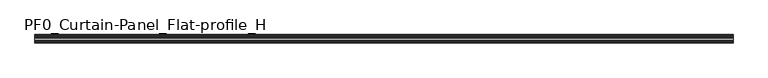
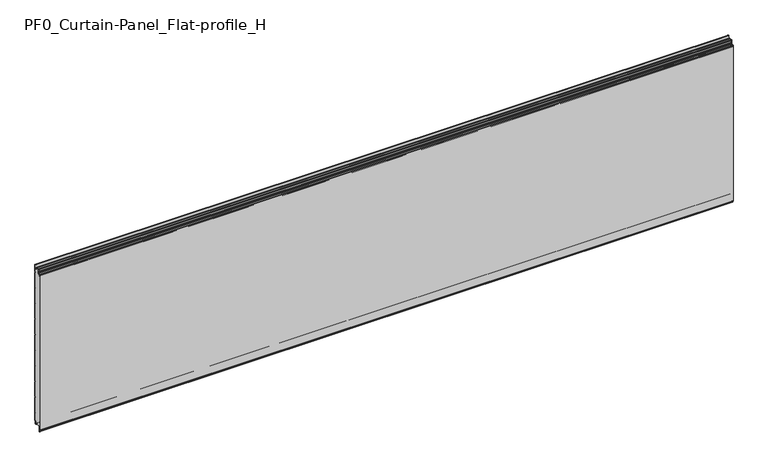
"""IFC4 building model written with IfcOpenShell, lengths in millimetres: plate geometry, PF0_Curtain-Panel_Flat-profile_H."""

from ifc_helpers import new_model, si_unit, point, frame, frame_2d, origin, place, context, project, spatial, polyline, circle_curve, trimmed, segment, composite_curve, outline, extrude, source, transform, mapped, element, save
from ifc_brep_helpers import plane_surface, cylinder_surface, revolved_surface, advanced_brep


def pf0_curtain_panel_flat_profile_h_6f37740b(model_context):
    return source(origin(), model_context, "Body", "SolidModel", [
        advanced_brep(
        [(-2100.0119739, -15.878557, 0.0), (-2100.0119739, -20.0, 0.0), (-2100.0119739, -20.0, 0.8), (-2100.0119739, -15.878557, 0.8), (-2100.0119739, -13.1503208, -1.370137), (-2100.0119739, -11.728236, -7.529863), (-2100.0119739, -6.2, -6.9), (-2100.0119739, -6.2, 8.6), (-2100.0119739, -3.4, 11.4), (-2100.0119739, -2.0, 11.4), (-2100.0119739, -0.8, 12.6), (-2100.0119739, -0.8, 57.6856412), (-2100.0119739, -2.482606, 60.6), (-2100.0119739, -0.8, 63.5143588), (-2100.0119739, -0.8, 157.6856412), (-2100.0119739, -2.482606, 160.6), (-2100.0119739, -0.8, 163.5143588), (-2100.0119739, -0.8, 257.6856412), (-2100.0119739, -2.482606, 260.6), (-2100.0119739, -0.8, 263.5143588), (-2100.0119739, -0.8, 357.6856412), (-2100.0119739, -2.482606, 360.6), (-2100.0119739, -0.8, 363.5143588), (-2100.0119739, -0.8, 457.6856412), (-2100.0119739, -2.482606, 460.6), (-2100.0119739, -0.8, 463.5143588), (-2100.0119739, -0.8, 557.6856412), (-2100.0119739, -2.482606, 560.6), (-2100.0119739, -0.8, 563.5143588), (-2100.0119739, -0.8, 657.6856412), (-2100.0119739, -2.482606, 660.6), (-2100.0119739, -0.8, 663.5143588), (-2100.0119739, -0.8, 757.6856412), (-2100.0119739, -2.482606, 760.6), (-2100.0119739, -0.8, 763.5143588), (-2100.0119739, -0.8, 857.6856412), (-2100.0119739, -2.482606, 860.6), (-2100.0119739, -0.8, 863.5143588), (-2100.0119739, -0.8, 957.6856412), (-2100.0119739, -2.482606, 960.6), (-2100.0119739, -0.8, 963.5143588), (-2100.0119739, -0.8, 1008.1), (-2100.0119739, -4.2, 1008.1), (-2100.0119739, -4.2, 991.1), (-2100.0119739, -13.7270771, 990.2664884), (-2100.0119739, -14.8636953, 996.7125669), (-2100.0119739, -16.6363492, 998.2), (-2100.0119739, -20.0, 998.2), (-2100.0119739, -20.0, 999.0), (-2100.0119739, -16.6363492, 999.0), (-2100.0119739, -14.0758491, 996.8514855), (-2100.0119739, -12.939231, 990.405407), (-2100.0119739, -5.0, 991.1), (-2100.0119739, -5.0, 1008.1), (-2100.0119739, -2.5, 1010.6), (-2100.0119739, 0.0, 1008.1), (-2100.0119739, 0.0, 963.2999995), (-2100.0119739, -1.5588455, 960.6), (-2100.0119739, 0.0, 957.9000005), (-2100.0119739, 0.0, 863.2999995), (-2100.0119739, -1.5588455, 860.6), (-2100.0119739, 0.0, 857.9000005), (-2100.0119739, 0.0, 763.2999995), (-2100.0119739, -1.5588455, 760.6), (-2100.0119739, 0.0, 757.9000005), (-2100.0119739, 0.0, 663.2999995), (-2100.0119739, -1.5588455, 660.6), (-2100.0119739, 0.0, 657.9000005), (-2100.0119739, 0.0, 563.2999995), (-2100.0119739, -1.5588455, 560.6), (-2100.0119739, 0.0, 557.9000005), (-2100.0119739, 0.0, 463.2999995), (-2100.0119739, -1.5588455, 460.6), (-2100.0119739, 0.0, 457.9000005), (-2100.0119739, 0.0, 363.2999995), (-2100.0119739, -1.5588455, 360.6), (-2100.0119739, 0.0, 357.9000005), (-2100.0119739, 0.0, 263.2999995), (-2100.0119739, -1.5588455, 260.6), (-2100.0119739, 0.0, 257.9000005), (-2100.0119739, 0.0, 163.2999995), (-2100.0119739, -1.5588455, 160.6), (-2100.0119739, 0.0, 157.9000005), (-2100.0119739, 0.0, 63.2999995), (-2100.0119739, -1.5588455, 60.6), (-2100.0119739, 0.0, 57.9000005), (-2100.0119739, 0.0, 12.6), (-2100.0119739, -2.0, 10.6), (-2100.0119739, -3.4, 10.6), (-2100.0119739, -5.4, 8.6), (-2100.0119739, -5.4, -6.9), (-2100.0119739, -12.5077322, -7.7098239), (-2100.0119739, -13.929817, -1.5500979), (2100.0119739, -15.878557, 0.0), (2100.0119739, -13.9298169, -1.5500978), (2100.0119739, -12.507732, -7.7098239), (2100.0119739, -5.4, -6.9), (2100.0119739, -5.4, 8.6), (2100.0119739, -3.4, 10.6), (2100.0119739, -2.0, 10.6), (2100.0119739, 0.0, 12.6), (2100.0119739, 0.0, 57.9000005), (2100.0119739, -1.5588455, 60.6), (2100.0119739, 0.0, 63.2999995), (2100.0119739, 0.0, 157.9000005), (2100.0119739, -1.5588455, 160.6), (2100.0119739, 0.0, 163.2999995), (2100.0119739, 0.0, 257.9000005), (2100.0119739, -1.5588455, 260.6), (2100.0119739, 0.0, 263.2999995), (2100.0119739, 0.0, 357.9000005), (2100.0119739, -1.5588455, 360.6), (2100.0119739, 0.0, 363.2999995), (2100.0119739, 0.0, 457.9000005), (2100.0119739, -1.5588455, 460.6), (2100.0119739, 0.0, 463.2999995), (2100.0119739, 0.0, 557.9000005), (2100.0119739, -1.5588455, 560.6), (2100.0119739, 0.0, 563.2999995), (2100.0119739, 0.0, 657.9000005), (2100.0119739, -1.5588455, 660.6), (2100.0119739, 0.0, 663.2999995), (2100.0119739, 0.0, 757.9000005), (2100.0119739, -1.5588455, 760.6), (2100.0119739, 0.0, 763.2999995), (2100.0119739, 0.0, 857.9000005), (2100.0119739, -1.5588455, 860.6), (2100.0119739, 0.0, 863.2999995), (2100.0119739, 0.0, 957.9000005), (2100.0119739, -1.5588455, 960.6), (2100.0119739, 0.0, 963.2999995), (2100.0119739, 0.0, 1008.1), (2100.0119739, -2.5, 1010.6), (2100.0119739, -5.0, 1008.1), (2100.0119739, -5.0, 991.1), (2100.0119739, -12.939231, 990.405407), (2100.0119739, -14.0758491, 996.8514855), (2100.0119739, -16.6363492, 999.0), (2100.0119739, -20.0, 999.0), (2100.0119739, -20.0, 998.2), (2100.0119739, -16.6363492, 998.2), (2100.0119739, -14.8636953, 996.7125669), (2100.0119739, -13.7270772, 990.2664884), (2100.0119739, -4.2, 991.1), (2100.0119739, -4.2, 1008.1), (2100.0119739, -0.8, 1008.1), (2100.0119739, -0.8, 963.5143588), (2100.0119739, -2.482606, 960.6), (2100.0119739, -0.8, 957.6856412), (2100.0119739, -0.8, 863.5143588), (2100.0119739, -2.482606, 860.6), (2100.0119739, -0.8, 857.6856412), (2100.0119739, -0.8, 763.5143588), (2100.0119739, -2.482606, 760.6), (2100.0119739, -0.8, 757.6856412), (2100.0119739, -0.8, 663.5143588), (2100.0119739, -2.482606, 660.6), (2100.0119739, -0.8, 657.6856412), (2100.0119739, -0.8, 563.5143588), (2100.0119739, -2.482606, 560.6), (2100.0119739, -0.8, 557.6856412), (2100.0119739, -0.8, 463.5143588), (2100.0119739, -2.482606, 460.6), (2100.0119739, -0.8, 457.6856412), (2100.0119739, -0.8, 363.5143588), (2100.0119739, -2.482606, 360.6), (2100.0119739, -0.8, 357.6856412), (2100.0119739, -0.8, 263.5143588), (2100.0119739, -2.482606, 260.6), (2100.0119739, -0.8, 257.6856412), (2100.0119739, -0.8, 163.5143588), (2100.0119739, -2.482606, 160.6), (2100.0119739, -0.8, 157.6856412), (2100.0119739, -0.8, 63.5143588), (2100.0119739, -2.482606, 60.6), (2100.0119739, -0.8, 57.6856412), (2100.0119739, -0.8, 12.6), (2100.0119739, -2.0, 11.4), (2100.0119739, -3.4, 11.4), (2100.0119739, -6.2, 8.6), (2100.0119739, -6.2, -6.9), (2100.0119739, -11.7282362, -7.529863), (2100.0119739, -13.150321, -1.370137), (2100.0119739, -15.878557, 0.8), (2100.0119739, -20.0, 0.8), (2100.0119739, -20.0, 0.0)],
        [
            (0, 1),
            (1, 2),
            (2, 3),
            (3, 4, circle_curve(frame((-2100.0119739, -15.878557, -2.0), z_axis=(-1.0, 0.0, 0.0), x_axis=(0.0, 0.0, 1.0)), 2.8)),
            (4, 5),
            (5, 6, circle_curve(frame((-2100.0119739, -9.0, -6.9), z_axis=(1.0, 0.0, 0.0), x_axis=(0.0, 0.0, 1.0)), 2.8)),
            (6, 7),
            (7, 8, circle_curve(frame((-2100.0119739, -3.4, 8.6), z_axis=(-1.0, 0.0, 0.0), x_axis=(0.0, 0.0, 1.0)), 2.8)),
            (8, 9),
            (9, 10, circle_curve(frame((-2100.0119739, -2.0, 12.6), z_axis=(1.0, 0.0, 0.0), x_axis=(0.0, 0.0, 1.0)), 1.2)),
            (10, 11),
            (11, 12),
            (12, 13),
            (13, 14),
            (14, 15),
            (15, 16),
            (16, 17),
            (17, 18),
            (18, 19),
            (19, 20),
            (20, 21),
            (21, 22),
            (22, 23),
            (23, 24),
            (24, 25),
            (25, 26),
            (26, 27),
            (27, 28),
            (28, 29),
            (29, 30),
            (30, 31),
            (31, 32),
            (32, 33),
            (33, 34),
            (34, 35),
            (35, 36),
            (36, 37),
            (37, 38),
            (38, 39),
            (39, 40),
            (40, 41),
            (41, 42, circle_curve(frame((-2100.0119739, -2.5, 1008.1), z_axis=(1.0, 0.0, 0.0), x_axis=(0.0, 0.0, 1.0)), 1.7)),
            (42, 43),
            (43, 44, circle_curve(frame((-2100.0119739, -9.0, 991.1), z_axis=(-1.0, 0.0, 0.0), x_axis=(0.0, 0.0, 1.0)), 4.8)),
            (44, 45),
            (45, 46, circle_curve(frame((-2100.0119739, -16.6363492, 996.4), z_axis=(1.0, 0.0, 0.0), x_axis=(0.0, 0.0, 1.0)), 1.8)),
            (46, 47),
            (47, 48),
            (48, 49),
            (49, 50, circle_curve(frame((-2100.0119739, -16.6363492, 996.4), z_axis=(-1.0, 0.0, 0.0), x_axis=(0.0, 0.0, 1.0)), 2.6)),
            (50, 51),
            (51, 52, circle_curve(frame((-2100.0119739, -9.0, 991.1), z_axis=(1.0, 0.0, 0.0), x_axis=(0.0, 0.0, 1.0)), 4.0)),
            (52, 53),
            (53, 54, circle_curve(frame((-2100.0119739, -2.5, 1008.1), z_axis=(-1.0, 0.0, 0.0), x_axis=(0.0, 0.0, 1.0)), 2.5)),
            (54, 55, circle_curve(frame((-2100.0119739, -2.5, 1008.1), z_axis=(-1.0, 0.0, 0.0), x_axis=(0.0, 0.0, 1.0)), 2.5)),
            (55, 56),
            (56, 57),
            (57, 58),
            (58, 59),
            (59, 60),
            (60, 61),
            (61, 62),
            (62, 63),
            (63, 64),
            (64, 65),
            (65, 66),
            (66, 67),
            (67, 68),
            (68, 69),
            (69, 70),
            (70, 71),
            (71, 72),
            (72, 73),
            (73, 74),
            (74, 75),
            (75, 76),
            (76, 77),
            (77, 78),
            (78, 79),
            (79, 80),
            (80, 81),
            (81, 82),
            (82, 83),
            (83, 84),
            (84, 85),
            (85, 86),
            (86, 87, circle_curve(frame((-2100.0119739, -2.0, 12.6), z_axis=(-1.0, 0.0, 0.0), x_axis=(0.0, 0.0, 1.0)), 2.0)),
            (87, 88),
            (88, 89, circle_curve(frame((-2100.0119739, -3.4, 8.6), z_axis=(1.0, 0.0, 0.0), x_axis=(0.0, 0.0, 1.0)), 2.0)),
            (89, 90),
            (90, 91, circle_curve(frame((-2100.0119739, -9.0, -6.9), z_axis=(-1.0, 0.0, 0.0), x_axis=(0.0, 0.0, 1.0)), 3.6)),
            (91, 92),
            (92, 0, circle_curve(frame((-2100.0119739, -15.878557, -2.0), z_axis=(1.0, 0.0, 0.0), x_axis=(0.0, 0.0, 1.0)), 2.0)),
            (93, 94, circle_curve(frame((2100.0119739, -15.878557, -2.0), z_axis=(-1.0, 0.0, 0.0), x_axis=(0.0, 0.0, 1.0)), 2.0)),
            (94, 95),
            (95, 96, circle_curve(frame((2100.0119739, -9.0, -6.9), z_axis=(1.0, 0.0, 0.0), x_axis=(0.0, 0.0, 1.0)), 3.6)),
            (96, 97),
            (97, 98, circle_curve(frame((2100.0119739, -3.4, 8.6), z_axis=(-1.0, 0.0, 0.0), x_axis=(0.0, 0.0, 1.0)), 2.0)),
            (98, 99),
            (99, 100, circle_curve(frame((2100.0119739, -2.0, 12.6), z_axis=(1.0, 0.0, 0.0), x_axis=(0.0, 0.0, 1.0)), 2.0)),
            (100, 101),
            (101, 102),
            (102, 103),
            (103, 104),
            (104, 105),
            (105, 106),
            (106, 107),
            (107, 108),
            (108, 109),
            (109, 110),
            (110, 111),
            (111, 112),
            (112, 113),
            (113, 114),
            (114, 115),
            (115, 116),
            (116, 117),
            (117, 118),
            (118, 119),
            (119, 120),
            (120, 121),
            (121, 122),
            (122, 123),
            (123, 124),
            (124, 125),
            (125, 126),
            (126, 127),
            (127, 128),
            (128, 129),
            (129, 130),
            (130, 131),
            (131, 132, circle_curve(frame((2100.0119739, -2.5, 1008.1), z_axis=(1.0, 0.0, 0.0), x_axis=(0.0, 0.0, 1.0)), 2.5)),
            (132, 133, circle_curve(frame((2100.0119739, -2.5, 1008.1), z_axis=(1.0, 0.0, 0.0), x_axis=(0.0, 0.0, 1.0)), 2.5)),
            (133, 134),
            (134, 135, circle_curve(frame((2100.0119739, -9.0, 991.1), z_axis=(-1.0, 0.0, 0.0), x_axis=(0.0, 0.0, 1.0)), 4.0)),
            (135, 136),
            (136, 137, circle_curve(frame((2100.0119739, -16.6363492, 996.4), z_axis=(1.0, 0.0, 0.0), x_axis=(0.0, 0.0, 1.0)), 2.6)),
            (137, 138),
            (138, 139),
            (139, 140),
            (140, 141, circle_curve(frame((2100.0119739, -16.6363492, 996.4), z_axis=(-1.0, 0.0, 0.0), x_axis=(0.0, 0.0, 1.0)), 1.8)),
            (141, 142),
            (142, 143, circle_curve(frame((2100.0119739, -9.0, 991.1), z_axis=(1.0, 0.0, 0.0), x_axis=(0.0, 0.0, 1.0)), 4.8)),
            (143, 144),
            (144, 145, circle_curve(frame((2100.0119739, -2.5, 1008.1), z_axis=(-1.0, 0.0, 0.0), x_axis=(0.0, 0.0, 1.0)), 1.7)),
            (145, 146),
            (146, 147),
            (147, 148),
            (148, 149),
            (149, 150),
            (150, 151),
            (151, 152),
            (152, 153),
            (153, 154),
            (154, 155),
            (155, 156),
            (156, 157),
            (157, 158),
            (158, 159),
            (159, 160),
            (160, 161),
            (161, 162),
            (162, 163),
            (163, 164),
            (164, 165),
            (165, 166),
            (166, 167),
            (167, 168),
            (168, 169),
            (169, 170),
            (170, 171),
            (171, 172),
            (172, 173),
            (173, 174),
            (174, 175),
            (175, 176),
            (176, 177, circle_curve(frame((2100.0119739, -2.0, 12.6), z_axis=(-1.0, 0.0, 0.0), x_axis=(0.0, 0.0, 1.0)), 1.2)),
            (177, 178),
            (178, 179, circle_curve(frame((2100.0119739, -3.4, 8.6), z_axis=(1.0, 0.0, 0.0), x_axis=(0.0, 0.0, 1.0)), 2.8)),
            (179, 180),
            (180, 181, circle_curve(frame((2100.0119739, -9.0, -6.9), z_axis=(-1.0, 0.0, 0.0), x_axis=(0.0, 0.0, 1.0)), 2.8)),
            (181, 182),
            (182, 183, circle_curve(frame((2100.0119739, -15.878557, -2.0), z_axis=(1.0, 0.0, 0.0), x_axis=(0.0, 0.0, 1.0)), 2.8)),
            (183, 184),
            (184, 185),
            (185, 93),
            (0, 93),
            (185, 1),
            (184, 2),
            (183, 3),
            (182, 4),
            (181, 5),
            (180, 6),
            (179, 7),
            (178, 8),
            (177, 9),
            (176, 10),
            (175, 11),
            (174, 12),
            (173, 13),
            (172, 14),
            (171, 15),
            (170, 16),
            (169, 17),
            (168, 18),
            (167, 19),
            (166, 20),
            (165, 21),
            (164, 22),
            (163, 23),
            (162, 24),
            (161, 25),
            (160, 26),
            (159, 27),
            (158, 28),
            (157, 29),
            (156, 30),
            (155, 31),
            (154, 32),
            (153, 33),
            (152, 34),
            (151, 35),
            (150, 36),
            (149, 37),
            (148, 38),
            (147, 39),
            (146, 40),
            (145, 41),
            (144, 42),
            (143, 43),
            (142, 44),
            (141, 45),
            (140, 46),
            (139, 47),
            (138, 48),
            (137, 49),
            (136, 50),
            (135, 51),
            (134, 52),
            (133, 53),
            (131, 55),
            (130, 56),
            (129, 57),
            (128, 58),
            (127, 59),
            (126, 60),
            (125, 61),
            (124, 62),
            (123, 63),
            (122, 64),
            (121, 65),
            (120, 66),
            (119, 67),
            (118, 68),
            (117, 69),
            (116, 70),
            (115, 71),
            (114, 72),
            (113, 73),
            (112, 74),
            (111, 75),
            (110, 76),
            (109, 77),
            (108, 78),
            (107, 79),
            (106, 80),
            (105, 81),
            (104, 82),
            (103, 83),
            (102, 84),
            (101, 85),
            (100, 86),
            (99, 87),
            (98, 88),
            (97, 89),
            (96, 90),
            (95, 91),
            (94, 92),
        ],
        [
            plane_surface(frame((-2100.0119739, 0.0, 0.0), z_axis=(-1.0, 0.0, 0.0), x_axis=(0.0, 1.0, 0.0))),
            plane_surface(frame((2100.0119739, 0.0, 0.0), z_axis=(1.0, 0.0, 0.0), x_axis=(0.0, 1.0, 0.0))),
            plane_surface(frame((-2100.0119739, -15.878557, 0.0), z_axis=(0.0, 0.0, -1.0), x_axis=(1.0, 0.0, 0.0))),
            plane_surface(frame((-2100.0119739, -20.0, 0.0), z_axis=(0.0, -1.0, 0.0), x_axis=(1.0, 0.0, 0.0))),
            plane_surface(frame((-2100.0119739, -20.0, 0.8), z_axis=(0.0, 0.0, 1.0), x_axis=(1.0, 0.0, 0.0))),
            cylinder_surface(frame((-2100.0119739, -15.878557, -2.0), z_axis=(-1.0, 0.0, 0.0), x_axis=(0.0, 0.0, 1.0)), 2.8),
            plane_surface(frame((-2100.0119739, -13.150321, -1.370137), z_axis=(0.0, 0.9743700578318181, 0.22495108446242168), x_axis=(1.0, 0.0, 0.0))),
            revolved_surface(polyline([(2100.0119739, -9.0, -4.1000000000000005), (-2100.0119739, -9.0, -4.1000000000000005)]), (-2100.0119739, -9.0, -6.9), (1.0, 0.0, 0.0)),
            plane_surface(frame((-2100.0119739, -6.2, -6.9), z_axis=(0.0, -1.0, 0.0), x_axis=(1.0, 0.0, 0.0))),
            cylinder_surface(frame((-2100.0119739, -3.4, 8.6), z_axis=(-1.0, 0.0, 0.0), x_axis=(0.0, 0.0, 1.0)), 2.8),
            plane_surface(frame((-2100.0119739, -3.4, 11.4), z_axis=(0.0, 0.0, 1.0), x_axis=(1.0, 0.0, 0.0))),
            revolved_surface(polyline([(2100.0119739, -2.0, 13.799999999999999), (-2100.0119739, -2.0, 13.799999999999999)]), (-2100.0119739, -2.0, 12.6), (1.0, 0.0, 0.0)),
            plane_surface(frame((-2100.0119739, -0.8, 12.6), z_axis=(0.0, -1.0, 0.0), x_axis=(1.0, 0.0, 0.0))),
            plane_surface(frame((-2100.0119739, -0.8, 57.6856412), z_axis=(0.0, -0.8660253865035757, -0.5000000299313314), x_axis=(1.0, 0.0, 0.0))),
            plane_surface(frame((-2100.0119739, -2.482606, 60.6), z_axis=(0.0, -0.8660253865035789, 0.5000000299313261), x_axis=(1.0, 0.0, 0.0))),
            plane_surface(frame((-2100.0119739, -0.8, 63.5143588), z_axis=(0.0, -1.0, 0.0), x_axis=(1.0, 0.0, 0.0))),
            plane_surface(frame((-2100.0119739, -0.8, 157.6856412), z_axis=(0.0, -0.8660253865035755, -0.5000000299313319), x_axis=(1.0, 0.0, 0.0))),
            plane_surface(frame((-2100.0119739, -2.482606, 160.6), z_axis=(0.0, -0.8660253865035777, 0.5000000299313279), x_axis=(1.0, 0.0, 0.0))),
            plane_surface(frame((-2100.0119739, -0.8, 163.5143588), z_axis=(0.0, -1.0, 0.0), x_axis=(1.0, 0.0, 0.0))),
            plane_surface(frame((-2100.0119739, -0.8, 257.6856412), z_axis=(0.0, -0.8660253865035755, -0.5000000299313319), x_axis=(1.0, 0.0, 0.0))),
            plane_surface(frame((-2100.0119739, -2.482606, 260.6), z_axis=(0.0, -0.8660253865035777, 0.5000000299313279), x_axis=(1.0, 0.0, 0.0))),
            plane_surface(frame((-2100.0119739, -0.8, 263.5143588), z_axis=(0.0, -1.0, 0.0), x_axis=(1.0, 0.0, 0.0))),
            plane_surface(frame((-2100.0119739, -0.8, 357.6856412), z_axis=(0.0, -0.8660253865035754, -0.500000029931332), x_axis=(1.0, 0.0, 0.0))),
            plane_surface(frame((-2100.0119739, -2.482606, 360.6), z_axis=(0.0, -0.8660253865035789, 0.5000000299313261), x_axis=(1.0, 0.0, 0.0))),
            plane_surface(frame((-2100.0119739, -0.8, 363.5143588), z_axis=(0.0, -1.0, 0.0), x_axis=(1.0, 0.0, 0.0))),
            plane_surface(frame((-2100.0119739, -0.8, 457.6856412), z_axis=(0.0, -0.8660253865035755, -0.5000000299313319), x_axis=(1.0, 0.0, 0.0))),
            plane_surface(frame((-2100.0119739, -2.482606, 460.6), z_axis=(0.0, -0.8660253865035785, 0.5000000299313266), x_axis=(1.0, 0.0, 0.0))),
            plane_surface(frame((-2100.0119739, -0.8, 463.5143588), z_axis=(0.0, -1.0, 0.0), x_axis=(1.0, 0.0, 0.0))),
            plane_surface(frame((-2100.0119739, -0.8, 557.6856412), z_axis=(0.0, -0.8660253865035755, -0.500000029931332), x_axis=(1.0, 0.0, 0.0))),
            plane_surface(frame((-2100.0119739, -2.482606, 560.6), z_axis=(0.0, -0.8660253865035789, 0.500000029931326), x_axis=(1.0, 0.0, 0.0))),
            plane_surface(frame((-2100.0119739, -0.8, 563.5143588), z_axis=(0.0, -1.0, 0.0), x_axis=(1.0, 0.0, 0.0))),
            plane_surface(frame((-2100.0119739, -0.8, 657.6856412), z_axis=(0.0, -0.8660253865035755, -0.5000000299313317), x_axis=(1.0, 0.0, 0.0))),
            plane_surface(frame((-2100.0119739, -2.482606, 660.6), z_axis=(0.0, -0.8660253865035772, 0.5000000299313291), x_axis=(1.0, 0.0, 0.0))),
            plane_surface(frame((-2100.0119739, -0.8, 663.5143588), z_axis=(0.0, -1.0, 0.0), x_axis=(1.0, 0.0, 0.0))),
            plane_surface(frame((-2100.0119739, -0.8, 757.6856412), z_axis=(0.0, -0.8660253865035755, -0.5000000299313319), x_axis=(1.0, 0.0, 0.0))),
            plane_surface(frame((-2100.0119739, -2.482606, 760.6), z_axis=(0.0, -0.8660253865035771, 0.5000000299313291), x_axis=(1.0, 0.0, 0.0))),
            plane_surface(frame((-2100.0119739, -0.8, 763.5143588), z_axis=(0.0, -1.0, 0.0), x_axis=(1.0, 0.0, 0.0))),
            plane_surface(frame((-2100.0119739, -0.8, 857.6856412), z_axis=(0.0, -0.8660253865035755, -0.5000000299313319), x_axis=(1.0, 0.0, 0.0))),
            plane_surface(frame((-2100.0119739, -2.482606, 860.6), z_axis=(0.0, -0.8660253865035775, 0.5000000299313283), x_axis=(1.0, 0.0, 0.0))),
            plane_surface(frame((-2100.0119739, -0.8, 863.5143588), z_axis=(0.0, -1.0, 0.0), x_axis=(1.0, 0.0, 0.0))),
            plane_surface(frame((-2100.0119739, -0.8, 957.6856412), z_axis=(0.0, -0.8660253865035755, -0.500000029931332), x_axis=(1.0, 0.0, 0.0))),
            plane_surface(frame((-2100.0119739, -2.482606, 960.6), z_axis=(0.0, -0.8660253865035771, 0.5000000299313291), x_axis=(1.0, 0.0, 0.0))),
            plane_surface(frame((-2100.0119739, -0.8, 963.5143588), z_axis=(0.0, -1.0, 0.0), x_axis=(1.0, 0.0, 0.0))),
            revolved_surface(polyline([(2100.0119739, -2.5, 1009.8000000000001), (-2100.0119739, -2.5, 1009.8000000000001)]), (-2100.0119739, -2.5, 1008.1), (1.0, 0.0, 0.0)),
            plane_surface(frame((-2100.0119739, -4.2, 1008.1), z_axis=(0.0, 1.0, 0.0), x_axis=(1.0, 0.0, 0.0))),
            cylinder_surface(frame((-2100.0119739, -9.0, 991.1), z_axis=(-1.0, 0.0, 0.0), x_axis=(0.0, 0.0, 1.0)), 4.8),
            plane_surface(frame((-2100.0119739, -13.7270772, 990.2664884), z_axis=(0.0, -0.9848077391954005, -0.17364825602592165), x_axis=(1.0, 0.0, 0.0))),
            revolved_surface(polyline([(2100.0119739, -16.6363492, 998.1999999999999), (-2100.0119739, -16.6363492, 998.1999999999999)]), (-2100.0119739, -16.6363492, 996.4), (1.0, 0.0, 0.0)),
            plane_surface(frame((-2100.0119739, -16.6363492, 998.2), z_axis=(0.0, 0.0, -1.0), x_axis=(1.0, 0.0, 0.0))),
            plane_surface(frame((-2100.0119739, -20.0, 998.2), z_axis=(0.0, -1.0, 0.0), x_axis=(1.0, 0.0, 0.0))),
            plane_surface(frame((-2100.0119739, -20.0, 999.0), z_axis=(0.0, 0.0, 1.0), x_axis=(1.0, 0.0, 0.0))),
            cylinder_surface(frame((-2100.0119739, -16.6363492, 996.4), z_axis=(-1.0, 0.0, 0.0), x_axis=(0.0, 0.0, 1.0)), 2.6),
            plane_surface(frame((-2100.0119739, -14.0758491, 996.8514855), z_axis=(0.0, 0.9848077391954003, 0.1736482560259224), x_axis=(1.0, 0.0, 0.0))),
            revolved_surface(polyline([(2100.0119739, -9.0, 995.1), (-2100.0119739, -9.0, 995.1)]), (-2100.0119739, -9.0, 991.1), (1.0, 0.0, 0.0)),
            plane_surface(frame((-2100.0119739, -5.0, 991.1), z_axis=(0.0, -1.0, 0.0), x_axis=(1.0, 0.0, 0.0))),
            cylinder_surface(frame((-2100.0119739, -2.5, 1008.1), z_axis=(-1.0, 0.0, 0.0), x_axis=(0.0, 0.0, 1.0)), 2.5),
            plane_surface(frame((-2100.0119739, 0.0, 1008.1), z_axis=(0.0, 1.0, 0.0), x_axis=(1.0, 0.0, 0.0))),
            plane_surface(frame((-2100.0119739, 0.0, 963.2999995), z_axis=(0.0, 0.8660253865035786, -0.5000000299313263), x_axis=(1.0, 0.0, 0.0))),
            plane_surface(frame((-2100.0119739, -1.5588455, 960.6), z_axis=(0.0, 0.8660253865035755, 0.5000000299313319), x_axis=(1.0, 0.0, 0.0))),
            plane_surface(frame((-2100.0119739, 0.0, 957.9000005), z_axis=(0.0, 1.0, 0.0), x_axis=(1.0, 0.0, 0.0))),
            plane_surface(frame((-2100.0119739, 0.0, 863.2999995), z_axis=(0.0, 0.8660253865035786, -0.5000000299313263), x_axis=(1.0, 0.0, 0.0))),
            plane_surface(frame((-2100.0119739, -1.5588455, 860.6), z_axis=(0.0, 0.8660253865035755, 0.5000000299313319), x_axis=(1.0, 0.0, 0.0))),
            plane_surface(frame((-2100.0119739, 0.0, 857.9000005), z_axis=(0.0, 1.0, 0.0), x_axis=(1.0, 0.0, 0.0))),
            plane_surface(frame((-2100.0119739, 0.0, 763.2999995), z_axis=(0.0, 0.8660253865035786, -0.5000000299313263), x_axis=(1.0, 0.0, 0.0))),
            plane_surface(frame((-2100.0119739, -1.5588455, 760.6), z_axis=(0.0, 0.8660253865035755, 0.5000000299313319), x_axis=(1.0, 0.0, 0.0))),
            plane_surface(frame((-2100.0119739, 0.0, 757.9000005), z_axis=(0.0, 1.0, 0.0), x_axis=(1.0, 0.0, 0.0))),
            plane_surface(frame((-2100.0119739, 0.0, 663.2999995), z_axis=(0.0, 0.8660253865035786, -0.5000000299313263), x_axis=(1.0, 0.0, 0.0))),
            plane_surface(frame((-2100.0119739, -1.5588455, 660.6), z_axis=(0.0, 0.8660253865035755, 0.5000000299313319), x_axis=(1.0, 0.0, 0.0))),
            plane_surface(frame((-2100.0119739, 0.0, 657.9000005), z_axis=(0.0, 1.0, 0.0), x_axis=(1.0, 0.0, 0.0))),
            plane_surface(frame((-2100.0119739, 0.0, 563.2999995), z_axis=(0.0, 0.8660253865035786, -0.5000000299313263), x_axis=(1.0, 0.0, 0.0))),
            plane_surface(frame((-2100.0119739, -1.5588455, 560.6), z_axis=(0.0, 0.8660253865035755, 0.5000000299313319), x_axis=(1.0, 0.0, 0.0))),
            plane_surface(frame((-2100.0119739, 0.0, 557.9000005), z_axis=(0.0, 1.0, 0.0), x_axis=(1.0, 0.0, 0.0))),
            plane_surface(frame((-2100.0119739, 0.0, 463.2999995), z_axis=(0.0, 0.8660253865035786, -0.5000000299313263), x_axis=(1.0, 0.0, 0.0))),
            plane_surface(frame((-2100.0119739, -1.5588455, 460.6), z_axis=(0.0, 0.8660253865035755, 0.5000000299313319), x_axis=(1.0, 0.0, 0.0))),
            plane_surface(frame((-2100.0119739, 0.0, 457.9000005), z_axis=(0.0, 1.0, 0.0), x_axis=(1.0, 0.0, 0.0))),
            plane_surface(frame((-2100.0119739, 0.0, 363.2999995), z_axis=(0.0, 0.8660253865035786, -0.5000000299313263), x_axis=(1.0, 0.0, 0.0))),
            plane_surface(frame((-2100.0119739, -1.5588455, 360.6), z_axis=(0.0, 0.8660253865035755, 0.5000000299313319), x_axis=(1.0, 0.0, 0.0))),
            plane_surface(frame((-2100.0119739, 0.0, 357.9000005), z_axis=(0.0, 1.0, 0.0), x_axis=(1.0, 0.0, 0.0))),
            plane_surface(frame((-2100.0119739, 0.0, 263.2999995), z_axis=(0.0, 0.8660253865035786, -0.5000000299313263), x_axis=(1.0, 0.0, 0.0))),
            plane_surface(frame((-2100.0119739, -1.5588455, 260.6), z_axis=(0.0, 0.8660253865035755, 0.5000000299313319), x_axis=(1.0, 0.0, 0.0))),
            plane_surface(frame((-2100.0119739, 0.0, 257.9000005), z_axis=(0.0, 1.0, 0.0), x_axis=(1.0, 0.0, 0.0))),
            plane_surface(frame((-2100.0119739, 0.0, 163.2999995), z_axis=(0.0, 0.8660253865035786, -0.5000000299313263), x_axis=(1.0, 0.0, 0.0))),
            plane_surface(frame((-2100.0119739, -1.5588455, 160.6), z_axis=(0.0, 0.8660253865035755, 0.5000000299313319), x_axis=(1.0, 0.0, 0.0))),
            plane_surface(frame((-2100.0119739, 0.0, 157.9000005), z_axis=(0.0, 1.0, 0.0), x_axis=(1.0, 0.0, 0.0))),
            plane_surface(frame((-2100.0119739, 0.0, 63.2999995), z_axis=(0.0, 0.8660253865035786, -0.5000000299313263), x_axis=(1.0, 0.0, 0.0))),
            plane_surface(frame((-2100.0119739, -1.5588455, 60.6), z_axis=(0.0, 0.8660253865035755, 0.5000000299313319), x_axis=(1.0, 0.0, 0.0))),
            plane_surface(frame((-2100.0119739, 0.0, 57.9000005), z_axis=(0.0, 1.0, 0.0), x_axis=(1.0, 0.0, 0.0))),
            cylinder_surface(frame((-2100.0119739, -2.0, 12.6), z_axis=(-1.0, 0.0, 0.0), x_axis=(0.0, 0.0, 1.0)), 2.0),
            plane_surface(frame((-2100.0119739, -2.0, 10.6), z_axis=(0.0, 0.0, -1.0), x_axis=(1.0, 0.0, 0.0))),
            revolved_surface(polyline([(2100.0119739, -3.4, 10.6), (-2100.0119739, -3.4, 10.6)]), (-2100.0119739, -3.4, 8.6), (1.0, 0.0, 0.0)),
            plane_surface(frame((-2100.0119739, -5.4, 8.6), z_axis=(0.0, 1.0, 0.0), x_axis=(1.0, 0.0, 0.0))),
            cylinder_surface(frame((-2100.0119739, -9.0, -6.9), z_axis=(-1.0, 0.0, 0.0), x_axis=(0.0, 0.0, 1.0)), 3.6),
            plane_surface(frame((-2100.0119739, -12.507732, -7.7098239), z_axis=(0.0, -0.9743700578318182, -0.22495108446242174), x_axis=(1.0, 0.0, 0.0))),
            revolved_surface(polyline([(2100.0119739, -15.878557, 0.0), (-2100.0119739, -15.878557, 0.0)]), (-2100.0119739, -15.878557, -2.0), (1.0, 0.0, 0.0)),
        ],
        [
            (0, [[1, 2, 3, 4, 5, 6, 7, 8, 9, 10, 11, 12, 13, 14, 15, 16, 17, 18, 19, 20, 21, 22, 23, 24, 25, 26, 27, 28, 29, 30, 31, 32, 33, 34, 35, 36, 37, 38, 39, 40, 41, 42, 43, 44, 45, 46, 47, 48, 49, 50, 51, 52, 53, 54, 55, 56, 57, 58, 59, 60, 61, 62, 63, 64, 65, 66, 67, 68, 69, 70, 71, 72, 73, 74, 75, 76, 77, 78, 79, 80, 81, 82, 83, 84, 85, 86, 87, 88, 89, 90, 91, 92, 93]]),
            (1, [[94, 95, 96, 97, 98, 99, 100, 101, 102, 103, 104, 105, 106, 107, 108, 109, 110, 111, 112, 113, 114, 115, 116, 117, 118, 119, 120, 121, 122, 123, 124, 125, 126, 127, 128, 129, 130, 131, 132, 133, 134, 135, 136, 137, 138, 139, 140, 141, 142, 143, 144, 145, 146, 147, 148, 149, 150, 151, 152, 153, 154, 155, 156, 157, 158, 159, 160, 161, 162, 163, 164, 165, 166, 167, 168, 169, 170, 171, 172, 173, 174, 175, 176, 177, 178, 179, 180, 181, 182, 183, 184, 185, 186]]),
            (2, [[-1, 187, -186, 188]]),
            (3, [[-2, -188, -185, 189]]),
            (4, [[-3, -189, -184, 190]]),
            (5, [[-4, -190, -183, 191]]),
            (6, [[-5, -191, -182, 192]]),
            (7, [[-6, -192, -181, 193]]),
            (8, [[-7, -193, -180, 194]]),
            (9, [[-8, -194, -179, 195]]),
            (10, [[-9, -195, -178, 196]]),
            (11, [[-10, -196, -177, 197]]),
            (12, [[-11, -197, -176, 198]]),
            (13, [[-12, -198, -175, 199]]),
            (14, [[-13, -199, -174, 200]]),
            (15, [[-14, -200, -173, 201]]),
            (16, [[-15, -201, -172, 202]]),
            (17, [[-16, -202, -171, 203]]),
            (18, [[-17, -203, -170, 204]]),
            (19, [[-18, -204, -169, 205]]),
            (20, [[-19, -205, -168, 206]]),
            (21, [[-20, -206, -167, 207]]),
            (22, [[-21, -207, -166, 208]]),
            (23, [[-22, -208, -165, 209]]),
            (24, [[-23, -209, -164, 210]]),
            (25, [[-24, -210, -163, 211]]),
            (26, [[-25, -211, -162, 212]]),
            (27, [[-26, -212, -161, 213]]),
            (28, [[-27, -213, -160, 214]]),
            (29, [[-28, -214, -159, 215]]),
            (30, [[-29, -215, -158, 216]]),
            (31, [[-30, -216, -157, 217]]),
            (32, [[-31, -217, -156, 218]]),
            (33, [[-32, -218, -155, 219]]),
            (34, [[-33, -219, -154, 220]]),
            (35, [[-34, -220, -153, 221]]),
            (36, [[-35, -221, -152, 222]]),
            (37, [[-36, -222, -151, 223]]),
            (38, [[-37, -223, -150, 224]]),
            (39, [[-38, -224, -149, 225]]),
            (40, [[-39, -225, -148, 226]]),
            (41, [[-40, -226, -147, 227]]),
            (42, [[-41, -227, -146, 228]]),
            (43, [[-42, -228, -145, 229]]),
            (44, [[-43, -229, -144, 230]]),
            (45, [[-44, -230, -143, 231]]),
            (46, [[-45, -231, -142, 232]]),
            (47, [[-46, -232, -141, 233]]),
            (48, [[-47, -233, -140, 234]]),
            (49, [[-48, -234, -139, 235]]),
            (50, [[-49, -235, -138, 236]]),
            (51, [[-50, -236, -137, 237]]),
            (52, [[-51, -237, -136, 238]]),
            (53, [[-52, -238, -135, 239]]),
            (54, [[-53, -239, -134, 240]]),
            (55, [[-240, -133, -132, 241, -55, -54]]),
            (56, [[-56, -241, -131, 242]]),
            (57, [[-57, -242, -130, 243]]),
            (58, [[-58, -243, -129, 244]]),
            (59, [[-59, -244, -128, 245]]),
            (60, [[-60, -245, -127, 246]]),
            (61, [[-61, -246, -126, 247]]),
            (62, [[-62, -247, -125, 248]]),
            (63, [[-63, -248, -124, 249]]),
            (64, [[-64, -249, -123, 250]]),
            (65, [[-65, -250, -122, 251]]),
            (66, [[-66, -251, -121, 252]]),
            (67, [[-67, -252, -120, 253]]),
            (68, [[-68, -253, -119, 254]]),
            (69, [[-69, -254, -118, 255]]),
            (70, [[-70, -255, -117, 256]]),
            (71, [[-71, -256, -116, 257]]),
            (72, [[-72, -257, -115, 258]]),
            (73, [[-73, -258, -114, 259]]),
            (74, [[-74, -259, -113, 260]]),
            (75, [[-75, -260, -112, 261]]),
            (76, [[-76, -261, -111, 262]]),
            (77, [[-77, -262, -110, 263]]),
            (78, [[-78, -263, -109, 264]]),
            (79, [[-79, -264, -108, 265]]),
            (80, [[-80, -265, -107, 266]]),
            (81, [[-81, -266, -106, 267]]),
            (82, [[-82, -267, -105, 268]]),
            (83, [[-83, -268, -104, 269]]),
            (84, [[-84, -269, -103, 270]]),
            (85, [[-85, -270, -102, 271]]),
            (86, [[-86, -271, -101, 272]]),
            (87, [[-87, -272, -100, 273]]),
            (88, [[-88, -273, -99, 274]]),
            (89, [[-89, -274, -98, 275]]),
            (90, [[-90, -275, -97, 276]]),
            (91, [[-91, -276, -96, 277]]),
            (92, [[-92, -277, -95, 278]]),
            (93, [[-93, -278, -94, -187]]),
        ],
    ),
        extrude(outline(composite_curve([segment(polyline([(-40.0, 0.8), (-43.5, 0.8)]), True, "CONTINUOUS"), segment(trimmed(circle_curve(frame_2d((-43.5, -2.0)), 2.8), [point((-43.5, 0.8))], [point((-46.3, -2.0))], True, "CARTESIAN"), True, "CONTINUOUS"), segment(polyline([(-46.3, -2.0), (-46.3, -32.8700312)]), True, "CONTINUOUS"), segment(trimmed(circle_curve(frame_2d((-46.6, -32.8700312)), 0.3), [point((-46.3, -32.8700312))], [point((-46.9, -32.8700312))], False, "CARTESIAN"), True, "CONTINUOUS"), segment(polyline([(-46.9, -32.8700312), (-46.9, -26.9)]), True, "CONTINUOUS"), segment(trimmed(circle_curve(frame_2d((-48.6133333, -26.9)), 1.7133333), [point((-46.9, -26.9))], [point((-48.4, -25.2))], True, "CARTESIAN"), True, "CONTINUOUS"), segment(trimmed(circle_curve(frame_2d((-48.4, -24.4)), 0.8), [point((-48.4, -25.2))], [point((-49.2, -24.4))], False, "CARTESIAN"), True, "CONTINUOUS"), segment(polyline([(-49.2, -24.4), (-49.2, 972.8891513)]), True, "CONTINUOUS"), segment(trimmed(circle_curve(frame_2d((-48.9, 972.8891513)), 0.3), [point((-49.2, 972.8891513))], [point((-48.6, 972.8891513))], False, "CARTESIAN"), True, "CONTINUOUS"), segment(polyline([(-48.6, 972.8891513), (-48.6, 967.0)]), True, "CONTINUOUS"), segment(trimmed(circle_curve(frame_2d((-46.4, 967.0)), 2.2), [point((-48.6, 967.0))], [point((-44.2, 967.0))], True, "CARTESIAN"), True, "CONTINUOUS"), segment(polyline([(-44.2, 967.0), (-44.2, 967.8276204)]), True, "CONTINUOUS"), segment(trimmed(circle_curve(frame_2d((-38.8276204, 967.8276204)), 5.3723796), [point((-44.2, 967.8276204))], [point((-38.8276204, 973.2))], False, "CARTESIAN"), True, "CONTINUOUS"), segment(polyline([(-38.8276204, 973.2), (-38.0, 973.2)]), True, "CONTINUOUS"), segment(trimmed(circle_curve(frame_2d((-38.0, 975.0)), 1.8), [point((-38.0, 973.2))], [point((-36.2, 975.0))], True, "CARTESIAN"), True, "CONTINUOUS"), segment(polyline([(-36.2, 975.0), (-36.2, 981.1686302), (-34.3686285, 983.0), (-36.2, 984.8313698), (-36.2, 996.4)]), True, "CONTINUOUS"), segment(trimmed(circle_curve(frame_2d((-34.4, 996.4)), 1.8), [point((-36.2, 996.4))], [point((-34.4, 998.2))], False, "CARTESIAN"), True, "CONTINUOUS"), segment(polyline([(-34.4, 998.2), (-33.0, 998.2), (-33.0, 999.0), (-20.0, 999.0), (-20.0, 998.2), (-16.6363492, 998.2)]), True, "CONTINUOUS"), segment(trimmed(circle_curve(frame_2d((-16.6363492, 996.4)), 1.8), [point((-16.6363492, 998.2))], [point((-14.8636953, 996.7125669))], False, "CARTESIAN"), True, "CONTINUOUS"), segment(polyline([(-14.8636953, 996.7125669), (-13.7270772, 990.2664884)]), True, "CONTINUOUS"), segment(trimmed(circle_curve(frame_2d((-9.0, 991.1)), 4.8), [point((-13.7270772, 990.2664884))], [point((-4.2, 991.1))], True, "CARTESIAN"), True, "CONTINUOUS"), segment(polyline([(-4.2, 991.1), (-4.2, 1008.1)]), True, "CONTINUOUS"), segment(trimmed(circle_curve(frame_2d((-2.5, 1008.1)), 1.7), [point((-4.2, 1008.1))], [point((-0.8, 1008.1))], False, "CARTESIAN"), True, "CONTINUOUS"), segment(polyline([(-0.8, 1008.1), (-0.8, 963.5143588), (-2.482606, 960.6), (-0.8, 957.6856412), (-0.8, 863.5143588), (-2.482606, 860.6), (-0.8, 857.6856412), (-0.8, 763.5143588), (-2.482606, 760.6), (-0.8, 757.6856412), (-0.8, 663.5143588), (-2.482606, 660.6), (-0.8, 657.6856412), (-0.8, 563.5143588), (-2.482606, 560.6), (-0.8, 557.6856412), (-0.8, 463.5143588), (-2.482606, 460.6), (-0.8, 457.6856412), (-0.8, 363.5143588), (-2.482606, 360.6), (-0.8, 357.6856412), (-0.8, 263.5143588), (-2.482606, 260.6), (-0.8, 257.6856412), (-0.8, 163.5143588), (-2.482606, 160.6), (-0.8, 157.6856412), (-0.8, 63.5143588), (-2.482606, 60.6), (-0.8, 57.6856412), (-0.8, 12.6)]), True, "CONTINUOUS"), segment(trimmed(circle_curve(frame_2d((-2.0, 12.6)), 1.2), [point((-0.8, 12.6))], [point((-2.0, 11.4))], False, "CARTESIAN"), True, "CONTINUOUS"), segment(polyline([(-2.0, 11.4), (-3.4, 11.4)]), True, "CONTINUOUS"), segment(trimmed(circle_curve(frame_2d((-3.4, 8.6)), 2.8), [point((-3.4, 11.4))], [point((-6.2, 8.6))], True, "CARTESIAN"), True, "CONTINUOUS"), segment(polyline([(-6.2, 8.6), (-6.2, -6.9)]), True, "CONTINUOUS"), segment(trimmed(circle_curve(frame_2d((-9.0, -6.9)), 2.8), [point((-6.2, -6.9))], [point((-11.7282362, -7.529863))], False, "CARTESIAN"), True, "CONTINUOUS"), segment(polyline([(-11.7282362, -7.529863), (-13.1503208, -1.370137)]), True, "CONTINUOUS"), segment(trimmed(circle_curve(frame_2d((-15.878557, -2.0)), 2.8), [point((-13.1503208, -1.370137))], [point((-15.878557, 0.8))], True, "CARTESIAN"), True, "CONTINUOUS"), segment(polyline([(-15.878557, 0.8), (-20.0, 0.8), (-20.0, 0.0), (-40.0, 0.0), (-40.0, 0.8)]), True, "CONTINUOUS")], self_intersect=False)), frame((-2100.0119739, 0.0, 0.0), z_axis=(1.0, 0.0, 0.0), x_axis=(0.0, 1.0, 0.0)), (0.0, 0.0, 1.0), 4200.0239479),
        extrude(outline(composite_curve([segment(polyline([(-40.0, 0.0), (-43.5, 0.0)]), True, "CONTINUOUS"), segment(trimmed(circle_curve(frame_2d((-43.5, -2.0)), 2.0), [point((-43.5, 0.0))], [point((-45.5, -2.0))], True, "CARTESIAN"), True, "CONTINUOUS"), segment(polyline([(-45.5, -2.0), (-45.5, -33.0)]), True, "CONTINUOUS"), segment(trimmed(circle_curve(frame_2d((-46.5, -33.0)), 1.0), [point((-45.5, -33.0))], [point((-47.5, -33.0))], False, "CARTESIAN"), True, "CONTINUOUS"), segment(polyline([(-47.5, -33.0), (-47.5, -26.9)]), True, "CONTINUOUS"), segment(trimmed(circle_curve(frame_2d((-48.4, -26.9)), 0.9), [point((-47.5, -26.9))], [point((-48.4, -26.0))], True, "CARTESIAN"), True, "CONTINUOUS"), segment(trimmed(circle_curve(frame_2d((-48.4, -24.4)), 1.6), [point((-48.4, -26.0))], [point((-50.0, -24.4))], False, "CARTESIAN"), True, "CONTINUOUS"), segment(polyline([(-50.0, -24.4), (-50.0, 973.0)]), True, "CONTINUOUS"), segment(trimmed(circle_curve(frame_2d((-49.0, 973.0)), 1.0), [point((-50.0, 973.0))], [point((-48.0, 973.0))], False, "CARTESIAN"), True, "CONTINUOUS"), segment(polyline([(-48.0, 973.0), (-48.0, 967.0)]), True, "CONTINUOUS"), segment(trimmed(circle_curve(frame_2d((-46.5, 967.0)), 1.5), [point((-48.0, 967.0))], [point((-45.0, 967.0))], True, "CARTESIAN"), True, "CONTINUOUS"), segment(polyline([(-45.0, 967.0), (-45.0, 967.8276204)]), True, "CONTINUOUS"), segment(trimmed(circle_curve(frame_2d((-38.8276204, 967.8276204)), 6.1723796), [point((-45.0, 967.8276204))], [point((-38.8276204, 974.0))], False, "CARTESIAN"), True, "CONTINUOUS"), segment(polyline([(-38.8276204, 974.0), (-38.0, 974.0)]), True, "CONTINUOUS"), segment(trimmed(circle_curve(frame_2d((-38.0, 975.0)), 1.0), [point((-38.0, 974.0))], [point((-37.0, 975.0))], True, "CARTESIAN"), True, "CONTINUOUS"), segment(polyline([(-37.0, 975.0), (-37.0, 981.5000012), (-35.4999999, 983.0), (-37.0, 984.4999988), (-37.0, 996.4)]), True, "CONTINUOUS"), segment(trimmed(circle_curve(frame_2d((-34.4, 996.4)), 2.6), [point((-37.0, 996.4))], [point((-34.4, 999.0))], False, "CARTESIAN"), True, "CONTINUOUS"), segment(polyline([(-34.4, 999.0), (-33.0, 999.0), (-33.0, 998.2), (-34.4, 998.2)]), True, "CONTINUOUS"), segment(trimmed(circle_curve(frame_2d((-34.4, 996.4)), 1.8), [point((-34.4, 998.2))], [point((-36.2, 996.4))], True, "CARTESIAN"), True, "CONTINUOUS"), segment(polyline([(-36.2, 996.4), (-36.2, 984.8313698), (-34.3686285, 983.0), (-36.2, 981.1686302), (-36.2, 975.0)]), True, "CONTINUOUS"), segment(trimmed(circle_curve(frame_2d((-38.0, 975.0)), 1.8), [point((-36.2, 975.0))], [point((-38.0, 973.2))], False, "CARTESIAN"), True, "CONTINUOUS"), segment(polyline([(-38.0, 973.2), (-38.8276204, 973.2)]), True, "CONTINUOUS"), segment(trimmed(circle_curve(frame_2d((-38.8276204, 967.8276204)), 5.3723796), [point((-38.8276204, 973.2))], [point((-44.2, 967.8276204))], True, "CARTESIAN"), True, "CONTINUOUS"), segment(polyline([(-44.2, 967.8276204), (-44.2, 967.0)]), True, "CONTINUOUS"), segment(trimmed(circle_curve(frame_2d((-46.4, 967.0)), 2.2), [point((-44.2, 967.0))], [point((-48.6, 967.0))], False, "CARTESIAN"), True, "CONTINUOUS"), segment(polyline([(-48.6, 967.0), (-48.6, 972.8891513)]), True, "CONTINUOUS"), segment(trimmed(circle_curve(frame_2d((-48.9, 972.8891513)), 0.3), [point((-48.6, 972.8891513))], [point((-49.2, 972.8891513))], True, "CARTESIAN"), True, "CONTINUOUS"), segment(polyline([(-49.2, 972.8891513), (-49.2, -24.4)]), True, "CONTINUOUS"), segment(trimmed(circle_curve(frame_2d((-48.4, -24.4)), 0.8), [point((-49.2, -24.4))], [point((-48.4, -25.2))], True, "CARTESIAN"), True, "CONTINUOUS"), segment(trimmed(circle_curve(frame_2d((-48.6133333, -26.9)), 1.7133333), [point((-48.4, -25.2))], [point((-46.9, -26.9))], False, "CARTESIAN"), True, "CONTINUOUS"), segment(polyline([(-46.9, -26.9), (-46.9, -32.8700312)]), True, "CONTINUOUS"), segment(trimmed(circle_curve(frame_2d((-46.6, -32.8700312)), 0.3), [point((-46.9, -32.8700312))], [point((-46.3, -32.8700312))], True, "CARTESIAN"), True, "CONTINUOUS"), segment(polyline([(-46.3, -32.8700312), (-46.3, -2.0)]), True, "CONTINUOUS"), segment(trimmed(circle_curve(frame_2d((-43.5, -2.0)), 2.8), [point((-46.3, -2.0))], [point((-43.5, 0.8))], False, "CARTESIAN"), True, "CONTINUOUS"), segment(polyline([(-43.5, 0.8), (-40.0, 0.8), (-40.0, 0.0)]), True, "CONTINUOUS")], self_intersect=False)), frame((-2100.0119739, 0.0, 0.0), z_axis=(1.0, 0.0, 0.0), x_axis=(0.0, 1.0, 0.0)), (0.0, 0.0, 1.0), 4200.0239479),
    ])


if __name__ == "__main__":
    model = new_model("IFC4")
    model_context = context("Model", 3, world=origin())
    ifc_project = project(units=[si_unit("LENGTHUNIT", "METRE", prefix="MILLI")], contexts=[model_context])
    site = spatial("IfcSite", under=ifc_project)
    building = spatial("IfcBuilding", under=site)
    placement = place(None, origin())
    pf0_curtain_panel_flat_profile_h_shape = pf0_curtain_panel_flat_profile_h_6f37740b(model_context)
    element("IfcPlate", 1, ObjectType="PF0_Curtain-Panel_Flat-profile_H", at=placement, inside=building, context=model_context, shape_type="MappedRepresentation", body=[
        mapped(pf0_curtain_panel_flat_profile_h_shape, transform((0.0, 0.0, 0.0), x_axis=(1.0, 0.0, 0.0), y_axis=(0.0, 1.0, 0.0), z_axis=(0.0, 0.0, 1.0))),
    ])
    save(model, "model.ifc")
